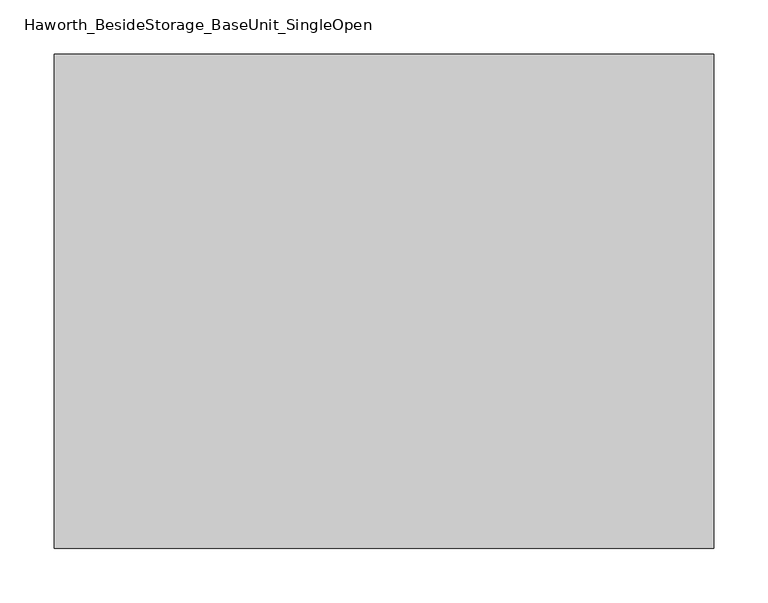
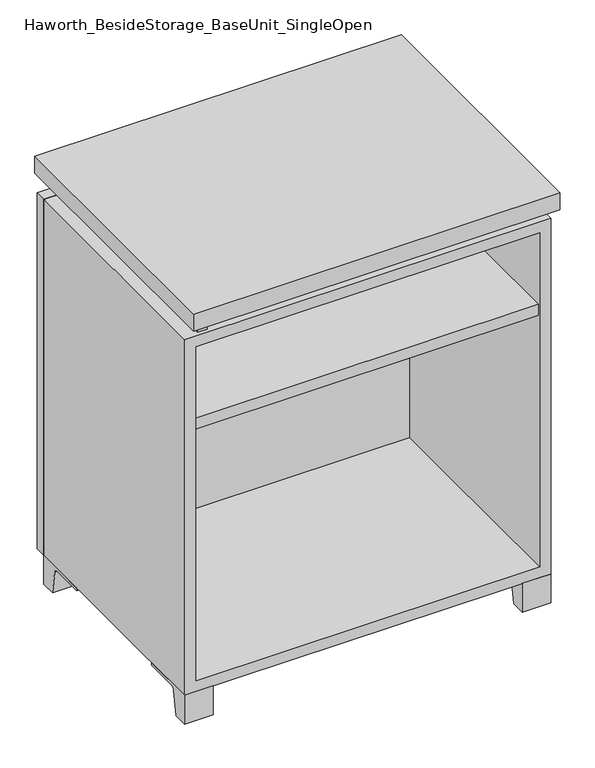
"""IFC4 building model written with IfcOpenShell, lengths in millimetres: furniture geometry, Haworth_BesideStorage_BaseUnit_SingleOpen."""

from ifc_helpers import new_model, si_unit, point, frame, frame_2d, origin, place, context, project, spatial, polyline, circle_curve, trimmed, segment, composite_curve, outline, extrude, source, transform, mapped, element, save


def haworth_besidestorage_baseunit_singleopen_bbf403cd(model_context):
    return source(origin(), model_context, "Body", "SweptSolid", [
        extrude(outline(polyline([(285.7638906, 222.25), (285.7638906, -136.525), (-285.7361094, -136.525), (-285.7361094, 222.25), (285.7638906, 222.25)])), frame((0.0, 0.0, 510.38125), z_axis=(0.0, 0.0, 1.0), x_axis=(1.0, 0.0, 0.0)), (0.0, 0.0, 1.0), 19.05),
        extrude(outline(polyline([(304.8138906, 292.1), (304.8138906, -165.1), (-304.7861094, -165.1), (-304.7861094, 292.1), (304.8138906, 292.1)])), frame((0.0, 0.0, 706.4375), z_axis=(0.0, 0.0, 1.0), x_axis=(1.0, 0.0, 0.0)), (0.0, 0.0, 1.0), 30.1625),
        extrude(outline(composite_curve([segment(polyline([(-114.3000136, 0.0), (-139.7, 0.0), (-139.7, 50.8), (-44.45, 50.8), (-44.45, 46.0213321), (-101.2505345, 46.0213321)]), True, "CONTINUOUS"), segment(trimmed(circle_curve(frame_2d((-101.2505345, 39.6713321)), 6.35), [point((-101.2505345, 46.0213321))], [point((-107.5141359, 40.7152656))], True, "CARTESIAN"), True, "CONTINUOUS"), segment(polyline([(-107.5141359, 40.7152656), (-114.3000136, 0.0)]), True, "CONTINUOUS")], self_intersect=False)), frame((257.1888906, 0.0, 0.0), z_axis=(1.0, 0.0, 0.0), x_axis=(0.0, 1.0, 0.0)), (0.0, 0.0, 1.0), 47.625),
        extrude(outline(composite_curve([segment(polyline([(241.3000136, 0.0), (234.5141359, 40.7152656)]), True, "CONTINUOUS"), segment(trimmed(circle_curve(frame_2d((228.2505345, 39.6713321)), 6.35), [point((234.5141359, 40.7152656))], [point((228.2505345, 46.0213321))], True, "CARTESIAN"), True, "CONTINUOUS"), segment(polyline([(228.2505345, 46.0213321), (171.45, 46.0213321), (171.45, 50.8), (266.7, 50.8), (266.7, 0.0), (241.3000136, 0.0)]), True, "CONTINUOUS")], self_intersect=False)), frame((257.1888906, 0.0, 0.0), z_axis=(1.0, 0.0, 0.0), x_axis=(0.0, 1.0, 0.0)), (0.0, 0.0, 1.0), 47.625),
        extrude(outline(composite_curve([segment(polyline([(-114.3000136, 0.0), (-139.7, 0.0), (-139.7, 50.8), (-44.45, 50.8), (-44.45, 46.0213321), (-101.2505345, 46.0213321)]), True, "CONTINUOUS"), segment(trimmed(circle_curve(frame_2d((-101.2505345, 39.6713321)), 6.35), [point((-101.2505345, 46.0213321))], [point((-107.5141359, 40.7152656))], True, "CARTESIAN"), True, "CONTINUOUS"), segment(polyline([(-107.5141359, 40.7152656), (-114.3000136, 0.0)]), True, "CONTINUOUS")], self_intersect=False)), frame((-304.7861094, 0.0, 0.0), z_axis=(1.0, 0.0, 0.0), x_axis=(0.0, 1.0, 0.0)), (0.0, 0.0, 1.0), 47.625),
        extrude(outline(composite_curve([segment(polyline([(241.3000136, 0.0), (234.5141359, 40.7152656)]), True, "CONTINUOUS"), segment(trimmed(circle_curve(frame_2d((228.2505345, 39.6713321)), 6.35), [point((234.5141359, 40.7152656))], [point((228.2505345, 46.0213321))], True, "CARTESIAN"), True, "CONTINUOUS"), segment(polyline([(228.2505345, 46.0213321), (171.45, 46.0213321), (171.45, 50.8), (266.7, 50.8), (266.7, 0.0), (241.3000136, 0.0)]), True, "CONTINUOUS")], self_intersect=False)), frame((-304.7861094, 0.0, 0.0), z_axis=(1.0, 0.0, 0.0), x_axis=(0.0, 1.0, 0.0)), (0.0, 0.0, 1.0), 47.625),
        extrude(outline(polyline([(-279.3791641, -133.35), (-279.3791641, 234.95), (-263.5041641, 234.95), (-263.5041641, 73.025), (263.5111094, 73.025), (263.5111094, 247.65), (279.3861094, 247.65), (279.3861094, -120.65), (263.5111094, -120.65), (263.5111094, 53.975), (-263.5041641, 53.975), (-263.5041641, -133.35), (-279.3791641, -133.35)])), frame((0.0, 0.0, 676.275), z_axis=(0.0, 0.0, 1.0), x_axis=(1.0, 0.0, 0.0)), (0.0, 0.0, 1.0), 30.1625),
        extrude(outline(polyline([(304.8138906, 266.7), (-304.7861094, 266.7), (-304.7861094, 285.75), (304.8138906, 285.75), (304.8138906, 266.7)])), frame((0.0, 0.0, 50.8), z_axis=(0.0, 0.0, 1.0), x_axis=(1.0, 0.0, 0.0)), (0.0, 0.0, 1.0), 625.475),
        extrude(outline(polyline([(50.8, -304.7861094), (50.8, 304.8138906), (676.275, 304.8138906), (676.275, -304.7861094), (50.8, -304.7861094)]), holes=[polyline([(69.85, -285.7361094), (657.225, -285.7361094), (657.225, 285.7569453), (69.85, 285.7569453), (69.85, -285.7361094)])]), frame((0.0, -139.7, 0.0), z_axis=(0.0, 1.0, 0.0), x_axis=(0.0, 0.0, 1.0)), (0.0, 0.0, 1.0), 406.4),
        extrude(outline(polyline([(-285.7291641, 234.95), (-285.7291641, 241.3), (285.7569453, 241.3), (285.7569453, 234.95), (-285.7291641, 234.95)])), frame((0.0, 0.0, 69.85), z_axis=(0.0, 0.0, 1.0), x_axis=(1.0, 0.0, 0.0)), (0.0, 0.0, 1.0), 587.375),
    ])


if __name__ == "__main__":
    model = new_model("IFC4")
    model_context = context("Model", 3, world=origin())
    ifc_project = project(units=[si_unit("LENGTHUNIT", "METRE", prefix="MILLI")], contexts=[model_context])
    site = spatial("IfcSite", under=ifc_project)
    building = spatial("IfcBuilding", under=site)
    placement = place(None, origin())
    haworth_besidestorage_baseunit_singleopen_shape = haworth_besidestorage_baseunit_singleopen_bbf403cd(model_context)
    element("IfcFurniture", 1, ObjectType="Haworth_BesideStorage_BaseUnit_SingleOpen", at=placement, inside=building, context=model_context, shape_type="MappedRepresentation", body=[
        mapped(haworth_besidestorage_baseunit_singleopen_shape, transform((0.0, 0.0, 0.0), x_axis=(1.0, 0.0, 0.0), y_axis=(0.0, 1.0, 0.0), z_axis=(0.0, 0.0, 1.0))),
    ])
    save(model, "model.ifc")
